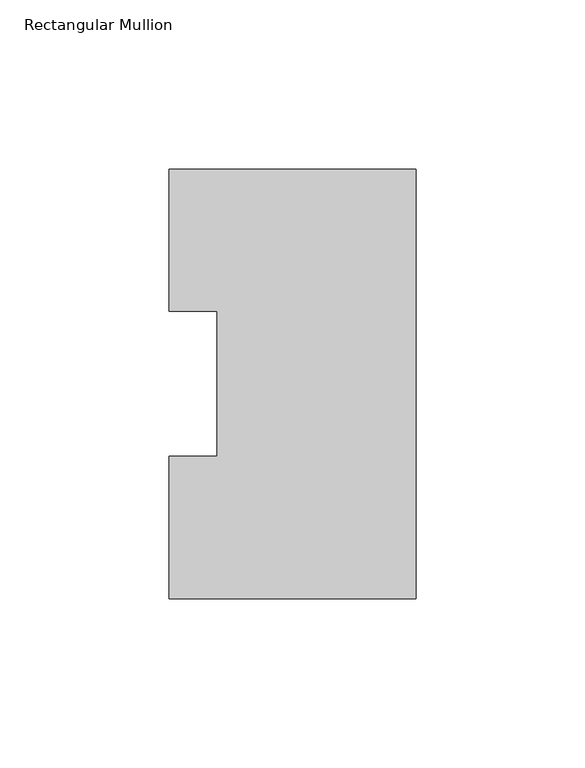
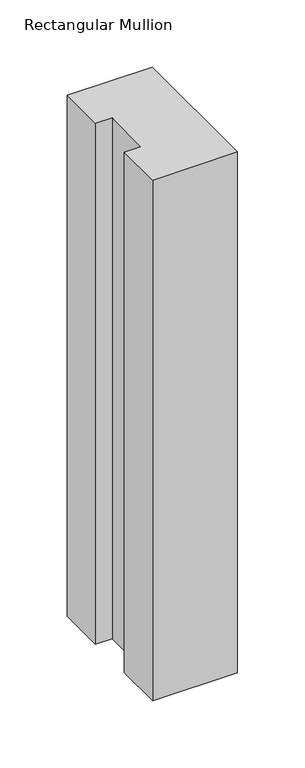
"""IFC4 building model written with IfcOpenShell, lengths in millimetres: member geometry, Rectangular Mullion."""

from ifc_helpers import new_model, si_unit, frame, origin, place, context, project, spatial, polyline, outline, extrude, source, transform, mapped, element, save


def rectangular_mullion_b0898932(model_context):
    return source(origin(), model_context, "Body", "SweptSolid", [
        extrude(outline(polyline([(0.0, 127.006348), (0.0, 0.0063465), (-73.025, 0.0063465), (-73.025, 42.0814491), (-58.7375, 42.0814491), (-58.7375, 84.93125), (-73.025, 84.93125), (-73.025, 127.006348), (0.0, 127.006348)])), frame((0.0, 0.0, -473.075), z_axis=(0.0, 0.0, 1.0), x_axis=(1.0, 0.0, 0.0)), (0.0, 0.0, 1.0), 473.075),
    ])


if __name__ == "__main__":
    model = new_model("IFC4")
    model_context = context("Model", 3, world=origin())
    ifc_project = project(units=[si_unit("LENGTHUNIT", "METRE", prefix="MILLI")], contexts=[model_context])
    site = spatial("IfcSite", under=ifc_project)
    building = spatial("IfcBuilding", under=site)
    placement = place(None, origin())
    rectangular_mullion_shape = rectangular_mullion_b0898932(model_context)
    element("IfcMember", 1, ObjectType="Rectangular Mullion", at=placement, inside=building, context=model_context, shape_type="MappedRepresentation", body=[
        mapped(rectangular_mullion_shape, transform((0.0, 0.0, 0.0), x_axis=(1.0, 0.0, 0.0), y_axis=(0.0, 1.0, 0.0), z_axis=(0.0, 0.0, 1.0))),
    ])
    save(model, "model.ifc")
